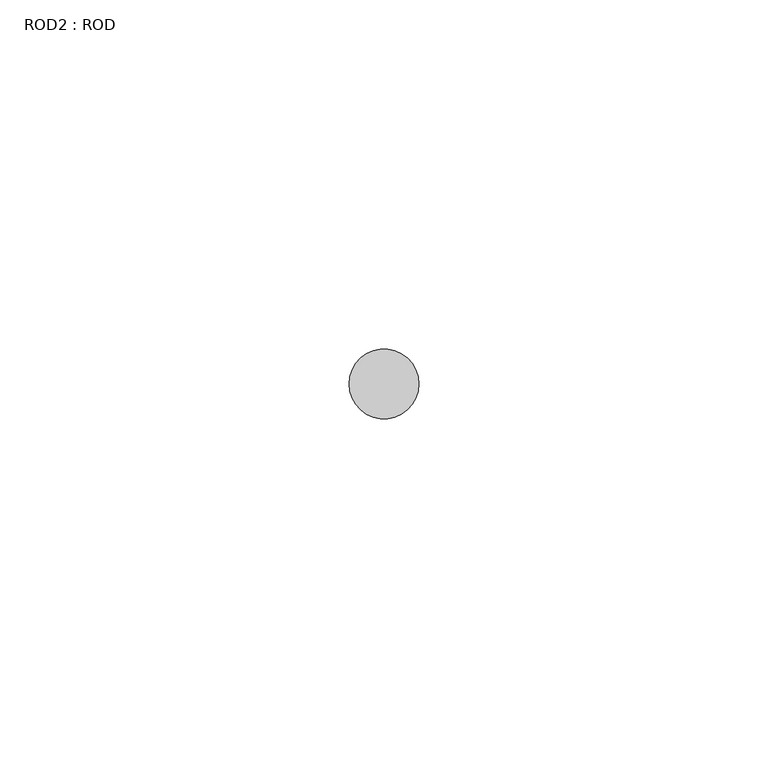
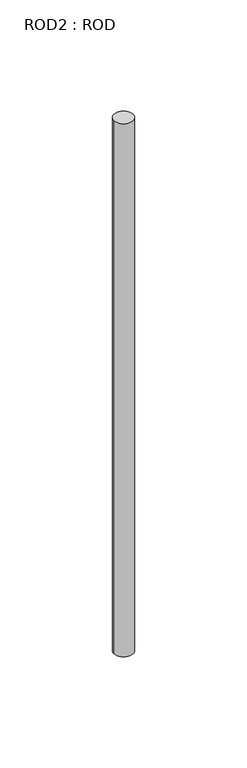
"""IFC4 building model written with IfcOpenShell, lengths in millimetres: proxy geometry, ROD2 : ROD."""

from ifc_helpers import new_model, si_unit, point, frame, frame_2d, origin, place, context, project, spatial, circle_curve, trimmed, segment, composite_curve, outline, extrude, source, transform, mapped, element, save


def rod2_rod_29064f3a(model_context):
    return source(origin(), model_context, "Body", "SweptSolid", [
        extrude(outline(composite_curve([segment(trimmed(circle_curve(frame_2d((-4400.2326676, 833.3971576)), 5.0), [point((-4405.2326676, 833.3971576))], [point((-4395.2326676, 833.3971576))], False, "CARTESIAN"), True, "CONTINUOUS"), segment(trimmed(circle_curve(frame_2d((-4400.2326676, 833.3971576)), 5.0), [point((-4395.2326676, 833.3971576))], [point((-4405.2326676, 833.3971576))], False, "CARTESIAN"), True, "CONTINUOUS")], self_intersect=False)), frame((0.0, 0.0, -108.6608845), z_axis=(0.0, 0.0, 1.0), x_axis=(1.0, 0.0, 0.0)), (0.0, 0.0, 1.0), 298.9028972),
    ])


if __name__ == "__main__":
    model = new_model("IFC4")
    model_context = context("Model", 3, world=origin())
    ifc_project = project(units=[si_unit("LENGTHUNIT", "METRE", prefix="MILLI")], contexts=[model_context])
    site = spatial("IfcSite", under=ifc_project)
    building = spatial("IfcBuilding", under=site)
    placement = place(None, origin())
    rod2_rod_shape = rod2_rod_29064f3a(model_context)
    element("IfcBuildingElementProxy", 1, Name="ROD2 : ROD", ObjectType="ROD2 : ROD", at=placement, inside=building, context=model_context, shape_type="MappedRepresentation", body=[
        mapped(rod2_rod_shape, transform((0.0, 0.0, 0.0), x_axis=(1.0, 0.0, 0.0), y_axis=(0.0, 1.0, 0.0), z_axis=(0.0, 0.0, 1.0))),
    ])
    save(model, "model.ifc")
